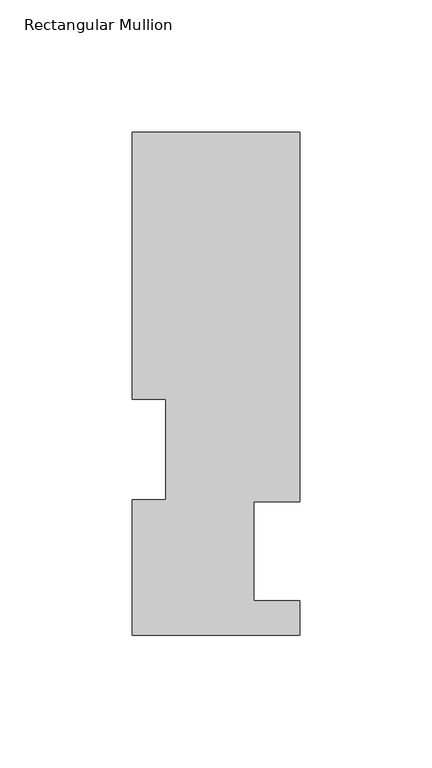
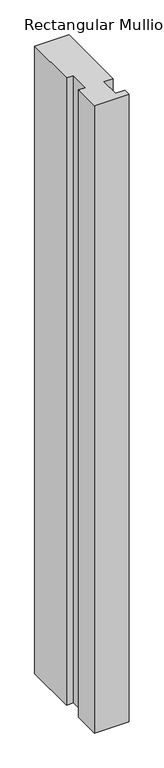
"""IFC4 building model written with IfcOpenShell, lengths in millimetres: member geometry, Rectangular Mullion."""

from ifc_helpers import new_model, si_unit, frame, origin, place, context, project, spatial, polyline, outline, extrude, source, transform, mapped, element, save


def rectangular_mullion_ed51b07f(model_context):
    return source(origin(), model_context, "Body", "SweptSolid", [
        extrude(outline(polyline([(-31.75, 190.7881313), (31.7500004, 190.7881313), (31.7500004, 50.8087294), (14.2748004, 50.8087294), (14.2748004, 13.3945312), (31.7500004, 13.3945312), (31.7500004, 0.2119312), (-31.7595098, 0.2119312), (-31.7595098, 51.4945315), (-19.05, 51.4945315), (-19.05, 89.5945313), (-31.75, 89.5945313), (-31.75, 190.7881313)])), frame((0.0, 0.0, -1219.2), z_axis=(0.0, 0.0, 1.0), x_axis=(1.0, 0.0, 0.0)), (0.0, 0.0, 1.0), 1219.2),
    ])


if __name__ == "__main__":
    model = new_model("IFC4")
    model_context = context("Model", 3, world=origin())
    ifc_project = project(units=[si_unit("LENGTHUNIT", "METRE", prefix="MILLI")], contexts=[model_context])
    site = spatial("IfcSite", under=ifc_project)
    building = spatial("IfcBuilding", under=site)
    placement = place(None, origin())
    rectangular_mullion_shape = rectangular_mullion_ed51b07f(model_context)
    element("IfcMember", 1, ObjectType="Rectangular Mullion", at=placement, inside=building, context=model_context, shape_type="MappedRepresentation", body=[
        mapped(rectangular_mullion_shape, transform((0.0, 0.0, 0.0), x_axis=(1.0, 0.0, 0.0), y_axis=(0.0, 1.0, 0.0), z_axis=(0.0, 0.0, 1.0))),
    ])
    save(model, "model.ifc")
